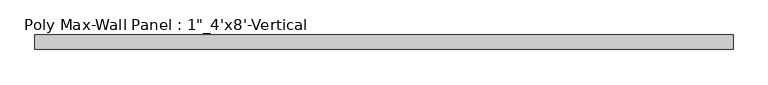
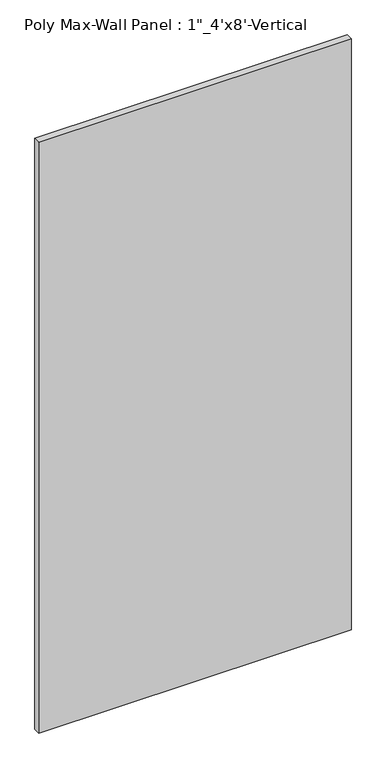
"""IFC4 building model written with IfcOpenShell, lengths in millimetres: proxy geometry."""

from ifc_helpers import new_model, si_unit, frame, origin, place, context, project, spatial, polyline, outline, extrude, source, transform, mapped, element, save


def proxy_ca673c10(model_context):
    return source(origin(), model_context, "Body", "SweptSolid", [
        extrude(outline(polyline([(812.8, 101.6), (-406.4, 101.6), (-406.4, 127.0), (812.8, 127.0), (812.8, 101.6)])), frame((0.0, 0.0, 1219.2), z_axis=(0.0, 0.0, 1.0), x_axis=(1.0, 0.0, 0.0)), (0.0, 0.0, 1.0), 2438.4),
    ])


if __name__ == "__main__":
    model = new_model("IFC4")
    model_context = context("Model", 3, world=origin())
    ifc_project = project(units=[si_unit("LENGTHUNIT", "METRE", prefix="MILLI")], contexts=[model_context])
    site = spatial("IfcSite", under=ifc_project)
    building = spatial("IfcBuilding", under=site)
    placement = place(None, origin())
    proxy_shape = proxy_ca673c10(model_context)
    element("IfcBuildingElementProxy", 1, Name="Poly Max-Wall Panel : 1\"_4'x8'-Vertical", ObjectType="Poly Max-Wall Panel : 1\"_4'x8'-Vertical", at=placement, inside=building, context=model_context, shape_type="MappedRepresentation", body=[
        mapped(proxy_shape, transform((0.0, 0.0, 0.0), x_axis=(1.0, 0.0, 0.0), y_axis=(0.0, 1.0, 0.0), z_axis=(0.0, 0.0, 1.0))),
    ])
    save(model, "model.ifc")
